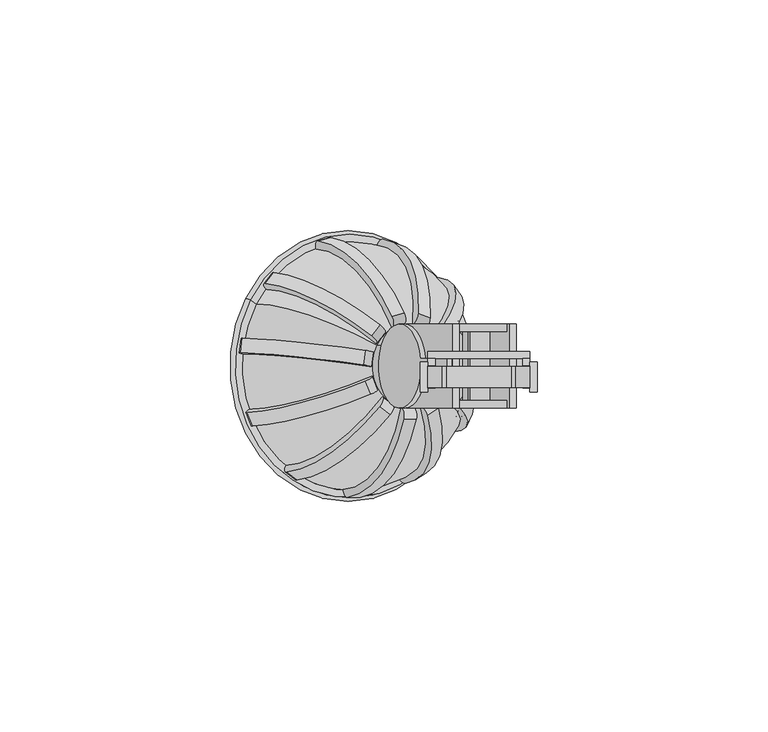
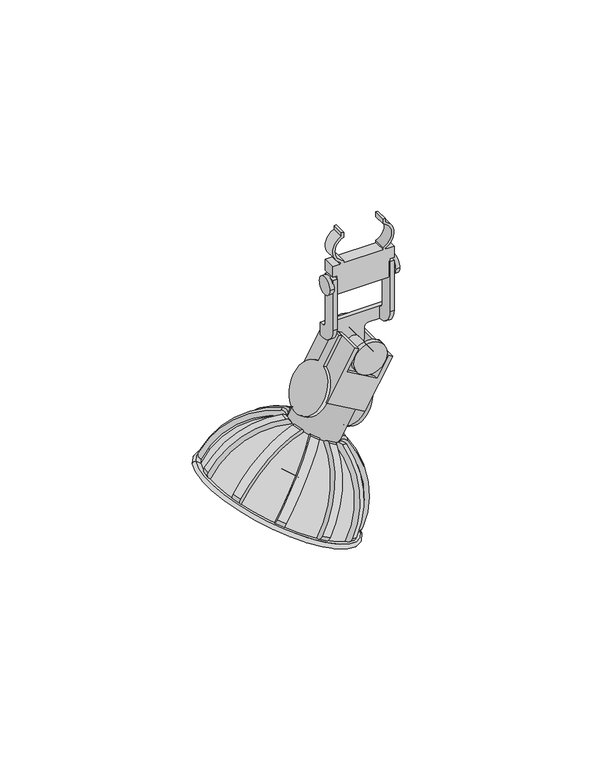
"""IFC4 building model written with IfcOpenShell, lengths in millimetres: light fixture geometry."""

from ifc_helpers import new_model, si_unit, point, frame, frame_2d, origin, place, context, project, spatial, polyline, circle_curve, ellipse_curve, trimmed, segment, composite_curve, outline, extrude, faceted_brep, source, transform, mapped, element, save
from ifc_brep_helpers import plane_surface, cylinder_surface, revolved_surface, advanced_brep


def light_fixture_5c6efee1(model_context):
    return source(origin(), model_context, "Body", "SolidModel", [
        advanced_brep(
        [(8.8020769, -2.38125, 1435.1462903), (8.8020769, -2.38125, 1416.0962903), (8.8020769, 3.96875, 1409.7462903), (8.8020769, 3.96875, 1414.5087903), (8.8020769, 2.38125, 1416.0962903), (8.8020769, 2.38125, 1435.1462903), (7.2145769, -2.38125, 1435.1462903), (7.2145769, 2.38125, 1435.1462903), (7.2145769, 2.38125, 1416.0962903), (7.2145769, 3.96875, 1414.5087903), (7.2145769, 5.55625, 1414.5087903), (7.2145769, 5.55625, 1409.7462903), (7.2145769, 3.96875, 1409.7462903), (7.2145769, -2.38125, 1416.0962903), (29.36875, -2.38125, 1435.1462903), (29.36875, -2.38125, 1416.0962903), (29.36875, 3.96875, 1409.7462903), (29.36875, 5.55625, 1409.7462903), (29.36875, 5.55625, 1414.5087903), (29.36875, 3.96875, 1414.5087903), (29.36875, 2.38125, 1416.0962903), (29.36875, 2.38125, 1435.1462903), (27.78125, -2.38125, 1435.1462903), (27.78125, 2.38125, 1435.1462903), (27.78125, 2.38125, 1416.0962903), (27.78125, 3.96875, 1414.5087903), (27.78125, 3.96875, 1409.7462903), (27.78125, -2.38125, 1416.0962903), (12.7743408, 3.96875, 1409.7462903), (14.3618408, 3.96875, 1408.1587903), (14.3618408, 3.96875, 1404.155272), (22.2214861, 3.96875, 1404.155272), (22.2214861, 3.96875, 1408.1587903), (23.8089861, 3.96875, 1409.7462903), (18.2916635, 3.96875, 1401.8129494), (18.2916635, 3.96875, 1406.4975947), (23.8089861, 5.55625, 1409.7462903), (22.2214861, 5.55625, 1408.1587903), (22.2214861, 5.55625, 1404.155272), (14.3618408, 5.55625, 1404.155272), (14.3618408, 5.55625, 1408.1587903), (12.7743408, 5.55625, 1409.7462903), (18.2916635, 5.55625, 1401.8129494), (18.2916635, 5.55625, 1406.4975947)],
        [
            (0, 1),
            (1, 2, circle_curve(frame((8.8020769, 3.96875, 1416.0962903), z_axis=(1.0, 0.0, 0.0), x_axis=(0.0, 0.0, 1.0)), 6.35)),
            (2, 3),
            (3, 4, circle_curve(frame((8.8020769, 3.96875, 1416.0962903), z_axis=(-1.0, 0.0, 0.0), x_axis=(0.0, 0.0, 1.0)), 1.5875)),
            (4, 5),
            (5, 0),
            (6, 7),
            (7, 8),
            (8, 9, circle_curve(frame((7.2145769, 3.96875, 1416.0962903), z_axis=(1.0, 0.0, 0.0), x_axis=(0.0, 0.0, 1.0)), 1.5875)),
            (9, 10),
            (10, 11),
            (11, 12),
            (12, 13, circle_curve(frame((7.2145769, 3.96875, 1416.0962903), z_axis=(-1.0, 0.0, 0.0), x_axis=(0.0, 0.0, 1.0)), 6.35)),
            (13, 6),
            (0, 6),
            (13, 1),
            (12, 2),
            (3, 9),
            (8, 4),
            (7, 5),
            (14, 15),
            (15, 16, circle_curve(frame((29.36875, 3.96875, 1416.0962903), z_axis=(1.0, 0.0, 0.0), x_axis=(0.0, 0.0, 1.0)), 6.35)),
            (16, 17),
            (17, 18),
            (18, 19),
            (19, 20, circle_curve(frame((29.36875, 3.96875, 1416.0962903), z_axis=(-1.0, 0.0, 0.0), x_axis=(0.0, 0.0, 1.0)), 1.5875)),
            (20, 21),
            (21, 14),
            (22, 23),
            (23, 24),
            (24, 25, circle_curve(frame((27.78125, 3.96875, 1416.0962903), z_axis=(1.0, 0.0, 0.0), x_axis=(0.0, 0.0, 1.0)), 1.5875)),
            (25, 26),
            (26, 27, circle_curve(frame((27.78125, 3.96875, 1416.0962903), z_axis=(-1.0, 0.0, 0.0), x_axis=(0.0, 0.0, 1.0)), 6.35)),
            (27, 22),
            (14, 22),
            (27, 15),
            (26, 16),
            (19, 25),
            (24, 20),
            (23, 21),
            (28, 29, circle_curve(frame((12.7743408, 3.96875, 1408.1587903), z_axis=(0.0, 1.0, 0.0), x_axis=(0.0, 0.0, 1.0)), 1.5875)),
            (29, 30),
            (30, 31, circle_curve(frame((18.2916635, 3.96875, 1404.155272), z_axis=(0.0, -1.0, 0.0), x_axis=(1.0, 0.0, 0.0)), 3.9298227)),
            (31, 32),
            (32, 33, circle_curve(frame((23.8089861, 3.96875, 1408.1587903), z_axis=(0.0, 1.0, 0.0), x_axis=(0.0, 0.0, 1.0)), 1.5875)),
            (33, 26),
            (25, 3),
            (2, 28),
            (34, 35, circle_curve(frame((18.2916635, 3.96875, 1404.155272), z_axis=(0.0, 1.0, 0.0), x_axis=(0.0, 0.0, 1.0)), 2.3423227)),
            (35, 34, circle_curve(frame((18.2916635, 3.96875, 1404.155272), z_axis=(0.0, 1.0, 0.0), x_axis=(0.0, 0.0, 1.0)), 2.3423227)),
            (10, 18),
            (17, 36),
            (36, 37, circle_curve(frame((23.8089861, 5.55625, 1408.1587903), z_axis=(0.0, -1.0, 0.0), x_axis=(0.0, 0.0, 1.0)), 1.5875)),
            (37, 38),
            (38, 39, circle_curve(frame((18.2916635, 5.55625, 1404.155272), z_axis=(0.0, 1.0, 0.0), x_axis=(1.0, 0.0, 0.0)), 3.9298227)),
            (39, 40),
            (40, 41, circle_curve(frame((12.7743408, 5.55625, 1408.1587903), z_axis=(0.0, -1.0, 0.0), x_axis=(0.0, 0.0, 1.0)), 1.5875)),
            (41, 11),
            (42, 43, circle_curve(frame((18.2916635, 5.55625, 1404.155272), z_axis=(0.0, -1.0, 0.0), x_axis=(0.0, 0.0, 1.0)), 2.3423227)),
            (43, 42, circle_curve(frame((18.2916635, 5.55625, 1404.155272), z_axis=(0.0, -1.0, 0.0), x_axis=(0.0, 0.0, 1.0)), 2.3423227)),
            (41, 28),
            (40, 29),
            (39, 30),
            (38, 31),
            (37, 32),
            (36, 33),
            (34, 42),
            (43, 35),
        ],
        [
            plane_surface(frame((8.8020769, -2.38125, 1409.7462903), z_axis=(1.0, 0.0, 0.0), x_axis=(0.0, 0.0, -1.0))),
            plane_surface(frame((7.2145769, -2.38125, 1409.7462903), z_axis=(-1.0, 0.0, 0.0), x_axis=(0.0, 0.0, 1.0))),
            plane_surface(frame((8.8020769, -2.38125, 1435.1462903), z_axis=(0.0, -1.0, 0.0), x_axis=(-1.0, 0.0, 0.0))),
            cylinder_surface(frame((7.2145769, 3.96875, 1416.0962903), z_axis=(1.0, 0.0, 0.0), x_axis=(0.0, 0.0, 1.0)), 6.35),
            revolved_surface(polyline([(7.2145769, 3.96875, 1417.6837903), (8.8020769, 3.96875, 1417.6837903)]), (7.2145769, 3.96875, 1416.0962903), (-1.0, 0.0, 0.0)),
            plane_surface(frame((8.8020769, 2.38125, 1416.0962903), z_axis=(0.0, 1.0, 0.0), x_axis=(-1.0, 0.0, 0.0))),
            plane_surface(frame((8.8020769, 2.38125, 1435.1462903), z_axis=(0.0, 0.0, 1.0), x_axis=(-1.0, 0.0, 0.0))),
            plane_surface(frame((29.36875, -2.38125, 1409.7462903), z_axis=(1.0, 0.0, 0.0), x_axis=(0.0, 0.0, -1.0))),
            plane_surface(frame((27.78125, -2.38125, 1409.7462903), z_axis=(-1.0, 0.0, 0.0), x_axis=(0.0, 0.0, 1.0))),
            plane_surface(frame((29.36875, -2.38125, 1435.1462903), z_axis=(0.0, -1.0, 0.0), x_axis=(-1.0, 0.0, 0.0))),
            cylinder_surface(frame((27.78125, 3.96875, 1416.0962903), z_axis=(1.0, 0.0, 0.0), x_axis=(0.0, 0.0, 1.0)), 6.35),
            revolved_surface(polyline([(27.78125, 3.96875, 1417.6837903), (29.36875, 3.96875, 1417.6837903)]), (27.78125, 3.96875, 1416.0962903), (-1.0, 0.0, 0.0)),
            plane_surface(frame((29.36875, 2.38125, 1416.0962903), z_axis=(0.0, 1.0, 0.0), x_axis=(-1.0, 0.0, 0.0))),
            plane_surface(frame((29.36875, 2.38125, 1435.1462903), z_axis=(0.0, 0.0, 1.0), x_axis=(-1.0, 0.0, 0.0))),
            plane_surface(frame((7.2145769, 3.96875, 1409.7462903), z_axis=(0.0, -1.0, 0.0), x_axis=(1.0, 0.0, 0.0))),
            plane_surface(frame((7.2145769, 5.55625, 1409.7462903), z_axis=(0.0, 1.0, 0.0), x_axis=(-1.0, 0.0, 0.0))),
            plane_surface(frame((7.2145769, 3.96875, 1409.7462903), z_axis=(0.0, 0.0, -1.0), x_axis=(0.0, 1.0, 0.0))),
            revolved_surface(polyline([(12.7743408, 5.55625, 1409.7462903), (12.7743408, 3.96875, 1409.7462903)]), (12.7743408, 5.55625, 1408.1587903), (0.0, 1.0, 0.0)),
            plane_surface(frame((14.3618408, 3.96875, 1408.1587903), z_axis=(-1.0, 0.0, 0.0), x_axis=(0.0, 1.0, 0.0))),
            cylinder_surface(frame((18.2916635, 5.55625, 1404.155272), z_axis=(0.0, -1.0, 0.0), x_axis=(1.0, 0.0, 0.0)), 3.9298227),
            plane_surface(frame((22.2214861, 3.96875, 1404.155272), z_axis=(1.0, 0.0, 1.454523952777141e-11), x_axis=(0.0, 1.0, 0.0))),
            revolved_surface(polyline([(23.8089861, 5.55625, 1409.7462903), (23.8089861, 3.96875, 1409.7462903)]), (23.8089861, 5.55625, 1408.1587903), (0.0, 1.0, 0.0)),
            plane_surface(frame((23.8089861, 3.96875, 1409.7462903), z_axis=(0.0, 0.0, -1.0), x_axis=(0.0, 1.0, 0.0))),
            plane_surface(frame((29.36875, 3.96875, 1414.5087903), z_axis=(0.0, 0.0, 1.0), x_axis=(0.0, 1.0, 0.0))),
            revolved_surface(polyline([(18.2916635, 5.55625, 1406.4975947), (18.2916635, 3.96875, 1406.4975947)]), (18.2916635, 5.55625, 1404.155272), (0.0, 1.0, 0.0)),
        ],
        [
            (0, [[1, 2, 3, 4, 5, 6]]),
            (1, [[7, 8, 9, 10, 11, 12, 13, 14]]),
            (2, [[-1, 15, -14, 16]]),
            (3, [[-2, -16, -13, 17]]),
            (4, [[-4, 18, -9, 19]]),
            (5, [[-5, -19, -8, 20]]),
            (6, [[-6, -20, -7, -15]]),
            (7, [[21, 22, 23, 24, 25, 26, 27, 28]]),
            (8, [[29, 30, 31, 32, 33, 34]]),
            (9, [[-21, 35, -34, 36]]),
            (10, [[-22, -36, -33, 37]]),
            (11, [[-26, 38, -31, 39]]),
            (12, [[-27, -39, -30, 40]]),
            (13, [[-28, -40, -29, -35]]),
            (14, [[41, 42, 43, 44, 45, 46, -32, 47, -3, 48], [49, 50]]),
            (15, [[-11, 51, -24, 52, 53, 54, 55, 56, 57, 58], [59, 60]]),
            (16, [[-58, 61, -48, -17, -12]]),
            (17, [[-41, -61, -57, 62]]),
            (18, [[-42, -62, -56, 63]]),
            (19, [[-43, -63, -55, 64]]),
            (20, [[-44, -64, -54, 65]]),
            (21, [[-45, -65, -53, 66]]),
            (22, [[-52, -23, -37, -46, -66]]),
            (23, [[-51, -10, -18, -47, -38, -25]]),
            (24, [[-49, 67, -60, 68]]),
            (24, [[-50, -68, -59, -67]]),
        ],
    ),
        extrude(outline(composite_curve([segment(trimmed(circle_curve(frame_2d((0.0, -6.0091139)), 6.009114), [point((0.0, -12.0182279))], [point((0.0, 0.0))], False, "CARTESIAN"), True, "CONTINUOUS"), segment(trimmed(circle_curve(frame_2d((0.0, -6.0091139)), 6.009114), [point((0.0, 0.0))], [point((0.0, -12.0182279))], False, "CARTESIAN"), True, "CONTINUOUS")], self_intersect=False)), frame((24.3007774, -6.7168385, 1404.155272), z_axis=(0.0, 1.0, -2.265299059445169e-12), x_axis=(0.0, 2.265299059445169e-12, 1.0)), (0.0, 0.0, 1.0), 1.5875),
        extrude(outline(composite_curve([segment(trimmed(circle_curve(frame_2d((0.0, -2.3423226)), 2.3423227), [point((1e-07, -4.6846453))], [point((0.0, 0.0))], False, "CARTESIAN"), True, "CONTINUOUS"), segment(trimmed(circle_curve(frame_2d((0.0, -2.3423226)), 2.3423227), [point((0.0, 0.0))], [point((1e-07, -4.6846453))], False, "CARTESIAN"), True, "CONTINUOUS")], self_intersect=False)), frame((20.3201744, -5.1293385, 1402.9841107), z_axis=(-1.136582935470231e-12, 1.0, -1.9616747781798075e-12), x_axis=(0.49999999999999944, 2.267151659602032e-12, 0.866025403784439)), (0.0, 0.0, 1.0), 15.0211769),
        extrude(outline(composite_curve([segment(trimmed(circle_curve(frame_2d((0.0, -6.0091139)), 6.009114), [point((0.0, -12.0182279))], [point((0.0, 0.0))], False, "CARTESIAN"), True, "CONTINUOUS"), segment(trimmed(circle_curve(frame_2d((0.0, -6.0091139)), 6.009114), [point((0.0, 0.0))], [point((0.0, -12.0182279))], False, "CARTESIAN"), True, "CONTINUOUS")], self_intersect=False)), frame((24.3007774, -6.7168385, 1404.155272), z_axis=(0.0, 1.0, -2.265299059445169e-12), x_axis=(0.0, 2.265299059445169e-12, 1.0)), (0.0, 0.0, 1.0), 1.5875),
        faceted_brep([(26.3430803, -6.7168385, 1402.2965619), (26.3430803, 11.4793385, 1402.2965619), (24.9682649, 11.4793385, 1403.0903119), (24.9682649, -6.7168385, 1403.0903119), (12.6562649, 11.4793385, 1410.1986485), (12.6562649, -6.7168385, 1410.1986485), (14.0310802, -6.7168385, 1409.4048985), (14.0310802, 11.4793385, 1409.4048985), (16.1941128, -6.7168385, 1384.7180347), (2.5072975, -6.7168385, 1392.6201212), (2.5072975, 11.4793385, 1392.6201212), (16.1941128, 11.4793385, 1384.7180347), (3.8821128, 9.8918385, 1391.8263712), (3.8821128, -5.1293385, 1391.8263712), (14.8192975, -5.1293385, 1385.5117847), (14.8192975, 9.8918385, 1385.5117847), (9.8185142, 11.4793385, 1402.10852), (20.7556988, 11.4793385, 1395.7939334), (20.7556988, -6.7168385, 1395.7939334), (9.8185142, -6.7168385, 1402.10852), (20.7556988, 9.8918385, 1395.7939334), (9.8185142, 9.8918385, 1402.10852), (20.7556988, -5.1293385, 1395.7939334), (9.8185142, -5.1293385, 1402.10852)], [[[0, 1, 2, 3]], [[4, 5, 6, 7]], [[8, 9, 10, 11], [12, 13, 14, 15]], [[1, 0, 8, 11]], [[11, 10, 4, 7, 16, 17, 2, 1]], [[5, 4, 10, 9]], [[9, 8, 0, 3, 18, 19, 6, 5]], [[12, 15, 20, 21]], [[15, 14, 22, 18, 3, 2, 17, 20]], [[14, 13, 23, 22]], [[13, 12, 21, 16, 7, 6, 19, 23]], [[18, 22, 23, 19]], [[20, 17, 16, 21]]]),
        extrude(outline(composite_curve([segment(polyline([(-3.175, 0.0), (-1.9187521, 0.0)]), True, "CONTINUOUS"), segment(trimmed(circle_curve(frame_2d((-1.918752, -1.854332)), 1.8543319), [point((-1.9187521, 0.0))], [point((-0.0688907, -1.9830169))], False, "CARTESIAN"), True, "CONTINUOUS"), segment(trimmed(circle_curve(frame_2d((-28.575, 0.0)), 28.575), [point((-0.0688907, -1.9830169))], [point((-17.1863511, -26.2074284))], False, "CARTESIAN"), True, "CONTINUOUS"), segment(trimmed(circle_curve(frame_2d((-17.8537527, -24.6716115)), 1.6745622), [point((-17.1863511, -26.2074284))], [point((-19.4290019, -25.239721))], False, "CARTESIAN"), True, "CONTINUOUS"), segment(polyline([(-19.4290019, -25.239721), (-19.9194761, -23.8797384)]), True, "CONTINUOUS"), segment(trimmed(circle_curve(frame_2d((-28.575, 0.0)), 25.4), [point((-19.9194761, -23.8797384))], [point((-3.175, 0.0))], True, "CARTESIAN"), True, "CONTINUOUS")], self_intersect=False)), frame((9.0823967, -5.1566785, 1375.8240297), z_axis=(-0.7499999999994802, -0.49999999999987566, 0.43301270189326346), x_axis=(0.6172498392164396, -0.29380650170290645, 0.7298495567885066)), (0.0, 0.0, 1.0), 3.175),
        extrude(outline(composite_curve([segment(polyline([(-3.1750001, -1e-07), (-1.9187521, 0.0)]), True, "CONTINUOUS"), segment(trimmed(circle_curve(frame_2d((-1.918752, -1.854332)), 1.8543319), [point((-1.9187521, 0.0))], [point((-0.0688907, -1.9830169))], False, "CARTESIAN"), True, "CONTINUOUS"), segment(trimmed(circle_curve(frame_2d((-28.575, 0.0)), 28.575), [point((-0.0688907, -1.9830169))], [point((-17.1863512, -26.2074284))], False, "CARTESIAN"), True, "CONTINUOUS"), segment(trimmed(circle_curve(frame_2d((-17.8537527, -24.6716115)), 1.6745622), [point((-17.1863512, -26.2074284))], [point((-19.429002, -25.239721))], False, "CARTESIAN"), True, "CONTINUOUS"), segment(polyline([(-19.429002, -25.239721), (-19.9194761, -23.8797384)]), True, "CONTINUOUS"), segment(trimmed(circle_curve(frame_2d((-28.575, 0.0)), 25.4), [point((-19.9194761, -23.8797384))], [point((-3.1750001, -1e-07))], True, "CARTESIAN"), True, "CONTINUOUS")], self_intersect=False)), frame((11.7800477, -0.5641693, 1374.2665402), z_axis=(-0.39316730585030435, -0.8910065241883178, 0.22699524987159136), x_axis=(0.732130098231915, -0.15402014762047286, 0.6635234083209833)), (0.0, 0.0, 1.0), 3.175),
        extrude(outline(composite_curve([segment(trimmed(circle_curve(frame_2d((28.575, 0.0)), 25.4), [point((3.175, 0.0))], [point((19.919476, -23.8797384))], True, "CARTESIAN"), True, "CONTINUOUS"), segment(polyline([(19.919476, -23.8797384), (19.4290019, -25.2397209)]), True, "CONTINUOUS"), segment(trimmed(circle_curve(frame_2d((17.8537527, -24.6716115)), 1.6745622), [point((19.4290019, -25.2397209))], [point((17.1863511, -26.2074284))], False, "CARTESIAN"), True, "CONTINUOUS"), segment(trimmed(circle_curve(frame_2d((28.575, 0.0)), 28.575), [point((17.1863511, -26.2074284))], [point((0.0688906, -1.9830169))], False, "CARTESIAN"), True, "CONTINUOUS"), segment(trimmed(circle_curve(frame_2d((1.918752, -1.854332)), 1.8543319), [point((0.0688906, -1.9830169))], [point((1.918752, -1e-07))], False, "CARTESIAN"), True, "CONTINUOUS"), segment(polyline([(1.918752, -1e-07), (3.175, 0.0)]), True, "CONTINUOUS")], self_intersect=False)), frame((12.1637483, 1.826365, 1374.0450105), z_axis=(-0.09052430460937042, 0.994521895368286, 0.05226423163179569), x_axis=(-0.7625435873107834, -0.035462172343787284, -0.645964172213801)), (0.0, 0.0, 1.0), 3.175),
        extrude(outline(composite_curve([segment(trimmed(circle_curve(frame_2d((28.575, 0.0)), 25.4), [point((3.1750001, 0.0))], [point((19.919476, -23.8797384))], True, "CARTESIAN"), True, "CONTINUOUS"), segment(polyline([(19.919476, -23.8797384), (19.4290019, -25.239721)]), True, "CONTINUOUS"), segment(trimmed(circle_curve(frame_2d((17.8537527, -24.6716115)), 1.6745622), [point((19.4290019, -25.239721))], [point((17.1863512, -26.2074284))], False, "CARTESIAN"), True, "CONTINUOUS"), segment(trimmed(circle_curve(frame_2d((28.575, 0.0)), 28.575), [point((17.1863512, -26.2074284))], [point((0.0688907, -1.9830169))], False, "CARTESIAN"), True, "CONTINUOUS"), segment(trimmed(circle_curve(frame_2d((1.9187521, -1.854332)), 1.8543319), [point((0.0688907, -1.9830169))], [point((1.9187521, 0.0))], False, "CARTESIAN"), True, "CONTINUOUS"), segment(polyline([(1.9187521, 0.0), (3.1750001, 0.0)]), True, "CONTINUOUS")], self_intersect=False)), frame((11.0705858, 7.2301503, 1374.6761482), z_axis=(-0.5450074457695485, 0.777145961457026, 0.31466019552334107), x_axis=(-0.6986771246132415, -0.21350230806146656, -0.6828374916439488)), (0.0, 0.0, 1.0), 3.175),
        extrude(outline(composite_curve([segment(trimmed(circle_curve(frame_2d((28.575, -1e-07)), 25.4), [point((3.1750001, -1e-07))], [point((19.9194761, -23.8797384))], True, "CARTESIAN"), True, "CONTINUOUS"), segment(polyline([(19.9194761, -23.8797384), (19.429002, -25.239721)]), True, "CONTINUOUS"), segment(trimmed(circle_curve(frame_2d((17.8537528, -24.6716115)), 1.6745622), [point((19.429002, -25.239721))], [point((17.1863511, -26.2074284))], False, "CARTESIAN"), True, "CONTINUOUS"), segment(trimmed(circle_curve(frame_2d((28.575, -1e-07)), 28.575), [point((17.1863511, -26.2074284))], [point((0.0688908, -1.9830169))], False, "CARTESIAN"), True, "CONTINUOUS"), segment(trimmed(circle_curve(frame_2d((1.9187521, -1.854332)), 1.8543319), [point((0.0688908, -1.9830169))], [point((1.9187521, 0.0))], False, "CARTESIAN"), True, "CONTINUOUS"), segment(polyline([(1.9187521, 0.0), (3.1750001, -1e-07)]), True, "CONTINUOUS")], self_intersect=False)), frame((7.6049725, 11.0746615, 1376.677021), z_axis=(-0.82363910354667, 0.3090169943750213, 0.47552825814694344), x_axis=(-0.5611377904479571, -0.3226540315760304, -0.7622458632481509)), (0.0, 0.0, 1.0), 3.175),
        extrude(outline(composite_curve([segment(trimmed(circle_curve(frame_2d((28.575, 0.0)), 25.4), [point((3.175, 0.0))], [point((19.9194761, -23.8797383))], True, "CARTESIAN"), True, "CONTINUOUS"), segment(polyline([(19.9194761, -23.8797383), (19.4290019, -25.239721)]), True, "CONTINUOUS"), segment(trimmed(circle_curve(frame_2d((17.8537526, -24.6716115)), 1.6745622), [point((19.4290019, -25.239721))], [point((17.1863511, -26.2074283))], False, "CARTESIAN"), True, "CONTINUOUS"), segment(trimmed(circle_curve(frame_2d((28.575, 0.0)), 28.575), [point((17.1863511, -26.2074283))], [point((0.0688906, -1.9830168))], False, "CARTESIAN"), True, "CONTINUOUS"), segment(trimmed(circle_curve(frame_2d((1.9187521, -1.8543319)), 1.8543319), [point((0.0688906, -1.9830168))], [point((1.9187521, 0.0))], False, "CARTESIAN"), True, "CONTINUOUS"), segment(polyline([(1.9187521, 0.0), (3.175, 0.0)]), True, "CONTINUOUS")], self_intersect=False)), frame((2.8851192, 12.1194331, 1379.4020295), z_axis=(-0.8365163037375357, -0.25881904510245723, 0.4829629131450395), x_axis=(-0.39430387014703494, -0.32769857176270706, -0.8585674720438414)), (0.0, 0.0, 1.0), 3.175),
        extrude(outline(composite_curve([segment(trimmed(circle_curve(frame_2d((28.575, 1e-07)), 25.4), [point((3.175, 1e-07))], [point((19.919476, -23.8797383))], True, "CARTESIAN"), True, "CONTINUOUS"), segment(polyline([(19.919476, -23.8797383), (19.4290019, -25.2397209)]), True, "CONTINUOUS"), segment(trimmed(circle_curve(frame_2d((17.8537527, -24.6716114)), 1.6745622), [point((19.4290019, -25.2397209))], [point((17.1863512, -26.2074283))], False, "CARTESIAN"), True, "CONTINUOUS"), segment(trimmed(circle_curve(frame_2d((28.575, 1e-07)), 28.575), [point((17.1863512, -26.2074283))], [point((0.0688907, -1.9830168))], False, "CARTESIAN"), True, "CONTINUOUS"), segment(trimmed(circle_curve(frame_2d((1.9187521, -1.8543319)), 1.8543319), [point((0.0688907, -1.9830168))], [point((1.9187521, 1e-07))], False, "CARTESIAN"), True, "CONTINUOUS"), segment(polyline([(1.9187521, 1e-07), (3.175, 1e-07)]), True, "CONTINUOUS")], self_intersect=False)), frame((-1.5660716, 10.0273602, 1381.9719257), z_axis=(-0.5794841035556549, -0.743144825477357, 0.3345653031809001), x_axis=(-0.25200580692964536, -0.22700826301493765, -0.9407232971478273)), (0.0, 0.0, 1.0), 3.175),
        extrude(outline(composite_curve([segment(trimmed(circle_curve(frame_2d((28.5750001, 0.0)), 25.4), [point((3.175, 0.0))], [point((19.9194761, -23.8797383))], True, "CARTESIAN"), True, "CONTINUOUS"), segment(polyline([(19.9194761, -23.8797383), (19.4290019, -25.2397209)]), True, "CONTINUOUS"), segment(trimmed(circle_curve(frame_2d((17.8537527, -24.6716114)), 1.6745622), [point((19.4290019, -25.2397209))], [point((17.1863511, -26.2074283))], False, "CARTESIAN"), True, "CONTINUOUS"), segment(trimmed(circle_curve(frame_2d((28.5750001, 0.0)), 28.575), [point((17.1863511, -26.2074283))], [point((0.0688907, -1.9830168))], False, "CARTESIAN"), True, "CONTINUOUS"), segment(trimmed(circle_curve(frame_2d((1.9187521, -1.8543319)), 1.8543319), [point((0.0688907, -1.9830168))], [point((1.918752, 0.0))], False, "CARTESIAN"), True, "CONTINUOUS"), segment(polyline([(1.918752, 0.0), (3.175, 0.0)]), True, "CONTINUOUS")], self_intersect=False)), frame((-4.3123836, 5.4734686, 1383.5575097), z_axis=(-0.13547622075120844, -0.9876883405951276, 0.07821723252208142), x_axis=(-0.18015733223845606, -0.05307172598007017, -0.9822050333521097)), (0.0, 0.0, 1.0), 3.175),
        extrude(outline(composite_curve([segment(polyline([(-3.175, -1e-07), (-1.918752, 0.0)]), True, "CONTINUOUS"), segment(trimmed(circle_curve(frame_2d((-1.918752, -1.854332)), 1.8543319), [point((-1.918752, 0.0))], [point((-0.0688906, -1.9830169))], False, "CARTESIAN"), True, "CONTINUOUS"), segment(trimmed(circle_curve(frame_2d((-28.575, 0.0)), 28.575), [point((-0.0688906, -1.9830169))], [point((-17.1863511, -26.2074284))], False, "CARTESIAN"), True, "CONTINUOUS"), segment(trimmed(circle_curve(frame_2d((-17.8537527, -24.6716116)), 1.6745622), [point((-17.1863511, -26.2074284))], [point((-19.4290019, -25.2397211))], False, "CARTESIAN"), True, "CONTINUOUS"), segment(polyline([(-19.4290019, -25.2397211), (-19.919476, -23.8797385)]), True, "CONTINUOUS"), segment(trimmed(circle_curve(frame_2d((-28.575, 0.0)), 25.4), [point((-19.919476, -23.8797385))], [point((-3.175, -1e-07))], True, "CARTESIAN"), True, "CONTINUOUS")], self_intersect=False)), frame((-3.3493194, -2.9733948, 1383.0014843), z_axis=(-0.3522442655546527, 0.9135454576426139, 0.20336832153610024), x_axis=(0.2019409933052746, -0.13798887387516293, 0.9696282307717445)), (0.0, 0.0, 1.0), 3.175),
        extrude(outline(composite_curve([segment(polyline([(-3.175, 0.0), (-1.9187521, 0.0)]), True, "CONTINUOUS"), segment(trimmed(circle_curve(frame_2d((-1.918752, -1.8543319)), 1.8543319), [point((-1.9187521, 0.0))], [point((-0.0688906, -1.9830168))], False, "CARTESIAN"), True, "CONTINUOUS"), segment(trimmed(circle_curve(frame_2d((-28.5750001, 0.0)), 28.575), [point((-0.0688906, -1.9830168))], [point((-17.1863511, -26.2074284))], False, "CARTESIAN"), True, "CONTINUOUS"), segment(trimmed(circle_curve(frame_2d((-17.8537527, -24.6716115)), 1.6745622), [point((-17.1863511, -26.2074284))], [point((-19.4290019, -25.239721))], False, "CARTESIAN"), True, "CONTINUOUS"), segment(polyline([(-19.4290019, -25.239721), (-19.919476, -23.8797384)]), True, "CONTINUOUS"), segment(trimmed(circle_curve(frame_2d((-28.5750001, 0.0)), 25.4), [point((-19.919476, -23.8797384))], [point((-3.175, 0.0))], True, "CARTESIAN"), True, "CONTINUOUS")], self_intersect=False)), frame((0.3241411, -6.5513576, 1380.8806109), z_axis=(-0.7263100172476461, 0.5446390350150626, 0.4193352839716514), x_axis=(0.3103280987941722, -0.2845261404254356, 0.9070509062414303)), (0.0, 0.0, 1.0), 3.175),
        extrude(outline(composite_curve([segment(polyline([(-3.175, 0.0), (-1.9187521, 0.0)]), True, "CONTINUOUS"), segment(trimmed(circle_curve(frame_2d((-1.9187521, -1.8543319)), 1.8543319), [point((-1.9187521, 0.0))], [point((-0.0688907, -1.9830169))], False, "CARTESIAN"), True, "CONTINUOUS"), segment(trimmed(circle_curve(frame_2d((-28.575, -1e-07)), 28.575), [point((-0.0688907, -1.9830169))], [point((-17.1863511, -26.2074284))], False, "CARTESIAN"), True, "CONTINUOUS"), segment(trimmed(circle_curve(frame_2d((-17.8537527, -24.6716115)), 1.6745622), [point((-17.1863511, -26.2074284))], [point((-19.4290019, -25.239721))], False, "CARTESIAN"), True, "CONTINUOUS"), segment(polyline([(-19.4290019, -25.239721), (-19.919476, -23.8797384)]), True, "CONTINUOUS"), segment(trimmed(circle_curve(frame_2d((-28.575, -1e-07)), 25.4), [point((-19.919476, -23.8797384))], [point((-3.175, 0.0))], True, "CARTESIAN"), True, "CONTINUOUS")], self_intersect=False)), frame((5.0925865, -7.2418687, 1378.1275477), z_axis=(-0.8660254037844242, 0.0, 0.5000000000000251), x_axis=(0.4703465883640057, -0.3392585256959899, 0.814664188213109)), (0.0, 0.0, 1.0), 3.175),
        extrude(outline(composite_curve([segment(trimmed(circle_curve(frame_2d((0.0, -6.0091139)), 6.009114), [point((0.0, -12.0182279))], [point((0.0, 0.0))], False, "CARTESIAN"), True, "CONTINUOUS"), segment(trimmed(circle_curve(frame_2d((0.0, -6.0091139)), 6.009114), [point((0.0, 0.0))], [point((0.0, -12.0182279))], False, "CARTESIAN"), True, "CONTINUOUS")], self_intersect=False)), frame((24.3007774, 9.8918385, 1404.155272), z_axis=(0.0, 1.0, -2.265299059445169e-12), x_axis=(0.0, 2.265299059445169e-12, 1.0)), (0.0, 0.0, 1.0), 1.5875),
        extrude(outline(composite_curve([segment(polyline([(8.9585187, -7.5105885), (20.2979348, -7.5105885), (20.2979348, -10.6855885), (8.9585187, -10.6855885)]), True, "CONTINUOUS"), segment(trimmed(circle_curve(frame_2d((0.0, -9.0980885)), 9.0980885), [point((8.9585187, -10.6855885))], [point((8.9585187, -7.5105885))], False, "CARTESIAN"), True, "CONTINUOUS")], self_intersect=False)), frame((17.5689282, 11.4793385, 1383.9242847), z_axis=(-0.8660254037844441, 0.0, 0.49999999999999056), x_axis=(0.49999999999999056, 2.2773657114285834e-12, 0.8660254037844441)), (0.0, 0.0, 1.0), 1.5875),
        extrude(outline(composite_curve([segment(polyline([(-0.1395698, 0.0), (11.1998464, 0.0), (11.1998464, -3.175), (-0.1395698, -3.175)]), True, "CONTINUOUS"), segment(trimmed(circle_curve(frame_2d((-9.0980885, -1.5875)), 9.0980885), [point((-0.1395698, -3.175))], [point((-0.1395698, 0.0))], False, "CARTESIAN"), True, "CONTINUOUS")], self_intersect=False)), frame((7.0563417, 3.96875, 1400.499297), z_axis=(-0.8660254037844339, 0.0, 0.5000000000000084), x_axis=(0.5000000000000084, 2.2788442055655915e-12, 0.8660254037844339)), (0.0, 0.0, 1.0), 1.5875),
        advanced_brep(
        [(11.7281674, -11.8899274, 1343.302359), (-31.1343326, 16.6850726, 1368.0490349), (-29.9437076, 15.8913226, 1367.3616272), (10.5375424, -11.0961774, 1343.9897667), (10.9344174, -11.8899274, 1341.9275437), (-31.9280826, 16.6850726, 1366.6742196), (8.5159239, -10.2775985, 1343.3238615), (-29.5095892, 15.0727436, 1365.2779017), (8.8322868, -2.0218404, 1372.470603), (-4.4259521, 6.8169855, 1380.1252508), (-3.8427025, 6.9573192, 1381.6215986), (9.8365373, -2.162174, 1373.7238858), (2.2031674, 2.3975726, 1376.2979269), (16.1865373, -2.162174, 1384.7224084), (2.5072975, 6.9573192, 1392.6201212), (9.3469174, 2.3975726, 1388.6712648)],
        [
            (0, 1, circle_curve(frame((-9.7030826, 2.3975726, 1355.675697), z_axis=(0.4999999999999935, 2.26537530276263e-12, 0.8660254037844425), x_axis=(-0.750000000000569, 0.5000000000000013, 0.4330127018912324)), 28.575)),
            (1, 2),
            (2, 3, circle_curve(frame((-9.7030826, 2.3975726, 1355.675697), z_axis=(-0.4999999999999935, -2.26537530276263e-12, -0.8660254037844425), x_axis=(-0.750000000000569, 0.5000000000000013, 0.4330127018912324)), 26.9875)),
            (3, 0),
            (1, 0, circle_curve(frame((-9.7030826, 2.3975726, 1355.675697), z_axis=(0.4999999999999935, 2.26537530276263e-12, 0.8660254037844425), x_axis=(-0.750000000000569, 0.5000000000000013, 0.4330127018912324)), 28.575)),
            (3, 2, circle_curve(frame((-9.7030826, 2.3975726, 1355.675697), z_axis=(-0.4999999999999935, -2.26537530276263e-12, -0.8660254037844425), x_axis=(-0.750000000000569, 0.5000000000000013, 0.4330127018912324)), 26.9875)),
            (4, 5, circle_curve(frame((-10.4968326, 2.3975726, 1354.3008816), z_axis=(0.4999999999999935, 2.26537530276263e-12, 0.8660254037844425), x_axis=(-0.750000000000569, 0.5000000000000013, 0.4330127018912324)), 28.575)),
            (5, 1, circle_curve(frame((-31.5312076, 16.6850726, 1367.3616272), z_axis=(0.4330127018912412, 0.8660254037844379, -0.25000000000169675), x_axis=(0.7500000000005689, -0.5000000000000012, -0.43301270189123264)), 0.79375)),
            (0, 4, circle_curve(frame((11.3312924, -11.8899274, 1342.6149513), z_axis=(0.4330127018912393, 0.8660254037844396, -0.2500000000016945), x_axis=(-0.7500000000005705, 0.4999999999999985, 0.43301270189123303)), 0.79375)),
            (5, 4, circle_curve(frame((-10.4968326, 2.3975726, 1354.3008816), z_axis=(0.4999999999999935, 2.26537530276263e-12, 0.8660254037844425), x_axis=(-0.750000000000569, 0.5000000000000013, 0.4330127018912324)), 28.575)),
            (6, 7, circle_curve(frame((-10.4968326, 2.3975726, 1354.3008816), z_axis=(0.4999999999999935, 2.26537530276263e-12, 0.8660254037844425), x_axis=(-0.750000000000569, 0.5000000000000013, 0.4330127018912324)), 25.3503421)),
            (7, 5),
            (4, 6),
            (7, 6, circle_curve(frame((-10.4968326, 2.3975726, 1354.3008816), z_axis=(0.4999999999999935, 2.26537530276263e-12, 0.8660254037844425), x_axis=(-0.750000000000569, 0.5000000000000013, 0.4330127018912324)), 25.3503421)),
            (8, 9, circle_curve(frame((2.2031674, 2.3975726, 1376.2979269), z_axis=(0.4999999999999935, 2.26537530276263e-12, 0.8660254037844425), x_axis=(-0.750000000000569, 0.5000000000000013, 0.4330127018912324)), 8.8388259)),
            (9, 7, circle_curve(frame((-9.7030826, 2.3975726, 1355.675697), z_axis=(-0.4330127018912412, -0.8660254037844379, 0.25000000000169675), x_axis=(0.7500000000005689, -0.5000000000000012, -0.43301270189123264)), 25.4)),
            (6, 8, circle_curve(frame((-9.7030826, 2.3975726, 1355.675697), z_axis=(-0.4330127018912393, -0.8660254037844396, 0.2500000000016945), x_axis=(-0.7500000000005705, 0.4999999999999985, 0.43301270189123303)), 25.4)),
            (9, 8, circle_curve(frame((2.2031674, 2.3975726, 1376.2979269), z_axis=(0.4999999999999935, 2.26537530276263e-12, 0.8660254037844425), x_axis=(-0.750000000000569, 0.5000000000000013, 0.4330127018912324)), 8.8388259)),
            (2, 10, circle_curve(frame((-9.7030826, 2.3975726, 1355.675697), z_axis=(0.4330127018912412, 0.8660254037844379, -0.25000000000169675), x_axis=(0.7500000000005689, -0.5000000000000012, -0.43301270189123264)), 26.9875)),
            (10, 11, circle_curve(frame((2.9969174, 2.3975726, 1377.6727422), z_axis=(-0.4999999999999935, -2.26537530276263e-12, -0.8660254037844425), x_axis=(-0.750000000000569, 0.5000000000000013, 0.4330127018912324)), 9.1194932)),
            (11, 3, circle_curve(frame((-9.7030826, 2.3975726, 1355.675697), z_axis=(0.4330127018912393, 0.8660254037844396, -0.2500000000016945), x_axis=(-0.7500000000005705, 0.4999999999999985, 0.43301270189123303)), 26.9875)),
            (11, 10, circle_curve(frame((2.9969174, 2.3975726, 1377.6727422), z_axis=(-0.4999999999999935, -2.26537530276263e-12, -0.8660254037844425), x_axis=(-0.750000000000569, 0.5000000000000013, 0.4330127018912324)), 9.1194932)),
            (12, 9),
            (8, 12),
            (13, 14, circle_curve(frame((9.3469174, 2.3975726, 1388.6712648), z_axis=(0.4999999999999935, 2.26537530276263e-12, 0.8660254037844425), x_axis=(-0.750000000000569, 0.5000000000000013, 0.4330127018912324)), 9.1194932)),
            (14, 15),
            (15, 13),
            (14, 13, circle_curve(frame((9.3469174, 2.3975726, 1388.6712648), z_axis=(0.4999999999999935, 2.26537530276263e-12, 0.8660254037844425), x_axis=(-0.750000000000569, 0.5000000000000013, 0.4330127018912324)), 9.1194932)),
            (10, 14),
            (13, 11),
        ],
        [
            plane_surface(frame((-9.7030826, 2.3975726, 1355.675697), z_axis=(0.49999999999999356, 2.2652713038695538e-12, 0.8660254037844425), x_axis=(-0.750000000000569, 0.5000000000000013, 0.4330127018912324))),
            revolved_surface(trimmed(ellipse_curve(frame((-31.5312076, 16.6850726, 1367.3616272), z_axis=(-0.4330127018912412, -0.8660254037844379, 0.25000000000169675), x_axis=(0.7500000000005689, -0.5000000000000012, -0.43301270189123264)), 0.79375, 0.79375), [point((-31.1343326, 16.6850726, 1368.0490349))], [point((-31.9280826, 16.6850726, 1366.6742196))], True, "CARTESIAN"), (-15.7357062, 2.3975726, 1345.2268864), (-0.4999999999999935, -2.26537530276263e-12, -0.8660254037844425)),
            revolved_surface(trimmed(ellipse_curve(frame((-31.5312076, 16.6850726, 1367.3616272), z_axis=(-0.4330127018912411, -0.866025403784438, 0.2500000000016968), x_axis=(0.750000000000569, -0.5000000000000011, -0.43301270189123275)), 0.79375, 0.79375), [point((-31.1343326, 16.6850726, 1368.0490349))], [point((-31.9280826, 16.6850726, 1366.6742196))], True, "CARTESIAN"), (-15.7357062, 2.3975726, 1345.2268864), (-0.4999999999999935, -2.26537530276263e-12, -0.8660254037844425)),
            plane_surface(frame((-10.4968326, 2.3975726, 1354.3008816), z_axis=(-0.49999999999999356, -2.2652713038695538e-12, -0.8660254037844425), x_axis=(-0.750000000000569, 0.5000000000000013, 0.4330127018912324))),
            revolved_surface(trimmed(ellipse_curve(frame((-9.7030826, 2.3975726, 1355.675697), z_axis=(0.4330127018912412, 0.8660254037844379, -0.25000000000169675), x_axis=(0.7500000000005689, -0.5000000000000012, -0.43301270189123264)), 25.4, 25.4), [point((-29.5095892, 15.0727436, 1365.2779017))], [point((-4.4259521, 6.8169855, 1380.1252508))], True, "CARTESIAN"), (-15.7357062, 2.3975726, 1345.2268864), (-0.4999999999999935, -2.26537530276263e-12, -0.8660254037844425)),
            revolved_surface(trimmed(ellipse_curve(frame((-9.7030826, 2.3975726, 1355.675697), z_axis=(0.4330127018912411, 0.866025403784438, -0.2500000000016968), x_axis=(0.750000000000569, -0.5000000000000011, -0.43301270189123275)), 25.4, 25.4), [point((-29.5095892, 15.0727436, 1365.2779017))], [point((-4.4259521, 6.8169855, 1380.1252508))], True, "CARTESIAN"), (-15.7357062, 2.3975726, 1345.2268864), (-0.4999999999999935, -2.26537530276263e-12, -0.8660254037844425)),
            revolved_surface(trimmed(ellipse_curve(frame((-9.7030826, 2.3975726, 1355.675697), z_axis=(-0.4330127018912412, -0.8660254037844379, 0.25000000000169675), x_axis=(0.7500000000005689, -0.5000000000000012, -0.43301270189123264)), 26.9875, 26.9875), [point((-3.8427025, 6.9573192, 1381.6215986))], [point((-29.9437076, 15.8913226, 1367.3616272))], True, "CARTESIAN"), (-15.7357062, 2.3975726, 1345.2268864), (-0.4999999999999935, -2.26537530276263e-12, -0.8660254037844425)),
            revolved_surface(trimmed(ellipse_curve(frame((-9.7030826, 2.3975726, 1355.675697), z_axis=(-0.4330127018912411, -0.866025403784438, 0.2500000000016968), x_axis=(0.750000000000569, -0.5000000000000011, -0.43301270189123275)), 26.9875, 26.9875), [point((-3.8427025, 6.9573192, 1381.6215986))], [point((-29.9437076, 15.8913226, 1367.3616272))], True, "CARTESIAN"), (-15.7357062, 2.3975726, 1345.2268864), (-0.4999999999999935, -2.26537530276263e-12, -0.8660254037844425)),
            plane_surface(frame((2.2031674, 2.3975726, 1376.2979269), z_axis=(-0.49999999999999356, -2.2652713038695538e-12, -0.8660254037844425), x_axis=(-0.750000000000569, 0.5000000000000013, 0.4330127018912324))),
            plane_surface(frame((9.3469174, 2.3975726, 1388.6712648), z_axis=(0.49999999999999356, 2.2652713038695538e-12, 0.8660254037844425), x_axis=(-0.750000000000569, 0.5000000000000013, 0.4330127018912324))),
            cylinder_surface(frame((-15.7357062, 2.3975726, 1345.2268864), z_axis=(-0.4999999999999935, -2.26537530276263e-12, -0.8660254037844425), x_axis=(-0.750000000000569, 0.5000000000000013, 0.4330127018912324)), 9.1194932),
        ],
        [
            (0, [[1, 2, 3, 4]]),
            (0, [[5, -4, 6, -2]]),
            (1, [[7, 8, -1, 9]]),
            (2, [[10, -9, -5, -8]]),
            (3, [[11, 12, -7, 13]]),
            (3, [[14, -13, -10, -12]]),
            (4, [[15, 16, -11, 17]]),
            (5, [[18, -17, -14, -16]]),
            (6, [[-3, 19, 20, 21]]),
            (7, [[-6, -21, 22, -19]]),
            (8, [[23, -15, 24]]),
            (8, [[-24, -18, -23]]),
            (9, [[25, 26, 27]]),
            (9, [[28, -27, -26]]),
            (10, [[-20, 29, -25, 30]]),
            (10, [[-22, -30, -28, -29]]),
        ],
    ),
        extrude(outline(composite_curve([segment(trimmed(circle_curve(frame_2d((0.0, 1432.3381802)), 3.2425262), [point((-3.2425262, 1432.3381802))], [point((3.2425262, 1432.3381802))], False, "CARTESIAN"), True, "CONTINUOUS"), segment(trimmed(circle_curve(frame_2d((0.0, 1432.3381802)), 3.2425262), [point((3.2425262, 1432.3381802))], [point((-3.2425262, 1432.3381802))], False, "CARTESIAN"), True, "CONTINUOUS")], self_intersect=False)), frame((29.36875, 0.0, 0.0), z_axis=(1.0, 0.0, 0.0), x_axis=(0.0, 1.0, 0.0)), (0.0, 0.0, 1.0), 1.5875),
        extrude(outline(composite_curve([segment(trimmed(circle_curve(frame_2d((0.0, 1432.3381802)), 3.2425262), [point((-3.2425262, 1432.3381802))], [point((3.2425262, 1432.3381802))], False, "CARTESIAN"), True, "CONTINUOUS"), segment(trimmed(circle_curve(frame_2d((0.0, 1432.3381802)), 3.2425262), [point((3.2425262, 1432.3381802))], [point((-3.2425262, 1432.3381802))], False, "CARTESIAN"), True, "CONTINUOUS")], self_intersect=False)), frame((5.6270769, 0.0, 0.0), z_axis=(1.0, 0.0, 0.0), x_axis=(0.0, 1.0, 0.0)), (0.0, 0.0, 1.0), 1.5875),
        extrude(outline(composite_curve([segment(polyline([(1429.4276628, 27.78125), (1436.3369153, 27.78125), (1436.3369153, 29.36875), (1440.4418512, 29.36875), (1440.4418512, 26.6526683)]), True, "CONTINUOUS"), segment(trimmed(circle_curve(frame_2d((1440.7412111, 26.6526683)), 0.2993599), [point((1440.4418512, 26.6526683))], [point((1441.003, 26.5074687))], True, "CARTESIAN"), True, "CONTINUOUS"), segment(trimmed(circle_curve(frame_2d((1445.8619153, 23.8125)), 5.55625), [point((1441.003, 26.5074687))], [point((1450.8820311, 26.19375))], False, "CARTESIAN"), True, "CONTINUOUS"), segment(polyline([(1450.8820311, 26.19375), (1452.2119153, 26.19375), (1452.2119153, 25.4), (1450.3520433, 25.4)]), True, "CONTINUOUS"), segment(trimmed(circle_curve(frame_2d((1445.8619153, 23.8125)), 4.7625), [point((1450.3520433, 25.4))], [point((1441.3717872, 25.4))], True, "CARTESIAN"), True, "CONTINUOUS"), segment(polyline([(1441.3717872, 25.4), (1440.4418512, 25.4), (1440.4418512, 11.1833269), (1441.3717872, 11.1833269)]), True, "CONTINUOUS"), segment(trimmed(circle_curve(frame_2d((1445.8619153, 12.7708269)), 4.7625), [point((1441.3717872, 11.1833269))], [point((1450.3520433, 11.1833269))], True, "CARTESIAN"), True, "CONTINUOUS"), segment(polyline([(1450.3520433, 11.1833269), (1452.2119153, 11.1833269), (1452.2119153, 10.3895769), (1450.8820311, 10.3895769)]), True, "CONTINUOUS"), segment(trimmed(circle_curve(frame_2d((1445.8619153, 12.7708269)), 5.55625), [point((1450.8820311, 10.3895769))], [point((1441.003, 10.0758582))], False, "CARTESIAN"), True, "CONTINUOUS"), segment(trimmed(circle_curve(frame_2d((1440.7412111, 9.9306586)), 0.2993599), [point((1441.003, 10.0758582))], [point((1440.4418512, 9.9306586))], True, "CARTESIAN"), True, "CONTINUOUS"), segment(polyline([(1440.4418512, 9.9306586), (1440.4418512, 7.2145769), (1436.3369153, 7.2145769), (1436.3369153, 8.8020769), (1429.4276628, 8.8020769), (1429.4276628, 27.78125)]), True, "CONTINUOUS")], self_intersect=False)), frame((0.0, -2.3136498, 0.0), z_axis=(0.0, 1.0, 0.0), x_axis=(0.0, 0.0, 1.0)), (0.0, 0.0, 1.0), 4.6272996),
    ])


if __name__ == "__main__":
    model = new_model("IFC4")
    model_context = context("Model", 3, world=origin())
    ifc_project = project(units=[si_unit("LENGTHUNIT", "METRE", prefix="MILLI")], contexts=[model_context])
    site = spatial("IfcSite", under=ifc_project)
    building = spatial("IfcBuilding", under=site)
    placement = place(None, origin())
    light_fixture_shape = light_fixture_5c6efee1(model_context)
    element("IfcLightFixture", 1, at=placement, inside=building, context=model_context, shape_type="MappedRepresentation", body=[
        mapped(light_fixture_shape, transform((0.0, 0.0, 0.0), x_axis=(1.0, 0.0, 0.0), y_axis=(0.0, 1.0, 0.0), z_axis=(0.0, 0.0, 1.0))),
    ])
    save(model, "model.ifc")
